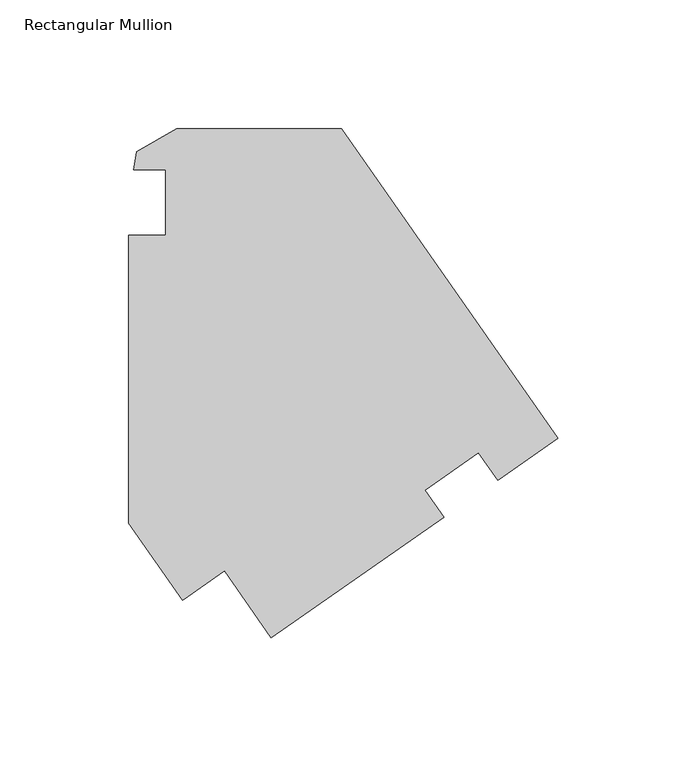
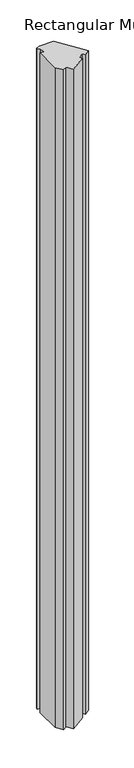
"""IFC4 building model written with IfcOpenShell, lengths in millimetres: member geometry, Rectangular Mullion."""

from ifc_helpers import new_model, si_unit, frame, origin, place, context, project, spatial, polyline, outline, extrude, source, transform, mapped, element, save


def rectangular_mullion_22dd729f(model_context):
    return source(origin(), model_context, "Body", "SweptSolid", [
        extrude(outline(polyline([(-44.4038323, -122.2024767), (-111.4062886, -169.1090203), (-129.6197447, -143.1026266), (-145.8685395, -154.4823939), (-166.7994951, -124.5957721), (-166.809835, -12.745546), (-152.5246594, -12.745546), (-152.5287708, 12.6597191), (-164.8650835, 12.6585787), (-163.6306928, 19.6629426), (-148.25801, 28.5388377), (-84.1000937, 28.5492207), (0.0, -91.5168003), (-23.4169192, -107.91673), (-30.9046265, -97.2252794), (-51.6977904, -111.7876743), (-44.4038323, -122.2024767)])), frame((0.0, 0.0, -3048.0000003), z_axis=(0.0, 0.0, 1.0), x_axis=(1.0, 0.0, 0.0)), (0.0, 0.0, 1.0), 3048.0000003),
    ])


if __name__ == "__main__":
    model = new_model("IFC4")
    model_context = context("Model", 3, world=origin())
    ifc_project = project(units=[si_unit("LENGTHUNIT", "METRE", prefix="MILLI")], contexts=[model_context])
    site = spatial("IfcSite", under=ifc_project)
    building = spatial("IfcBuilding", under=site)
    placement = place(None, origin())
    rectangular_mullion_shape = rectangular_mullion_22dd729f(model_context)
    element("IfcMember", 1, ObjectType="Rectangular Mullion", at=placement, inside=building, context=model_context, shape_type="MappedRepresentation", body=[
        mapped(rectangular_mullion_shape, transform((0.0, 0.0, 0.0), x_axis=(1.0, 0.0, 0.0), y_axis=(0.0, 1.0, 0.0), z_axis=(0.0, 0.0, 1.0))),
    ])
    save(model, "model.ifc")
